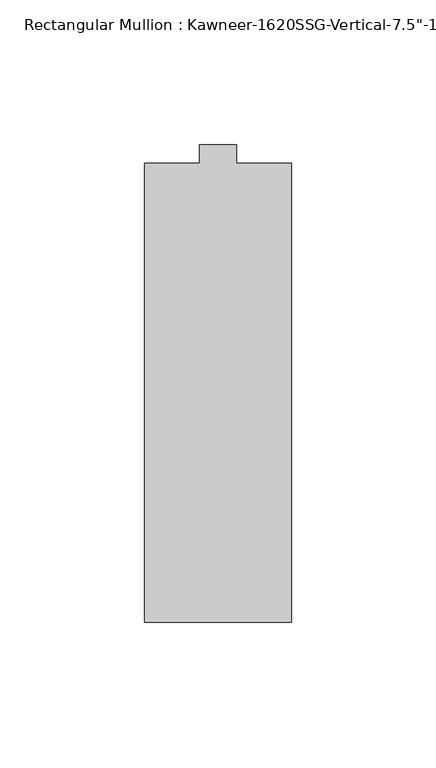
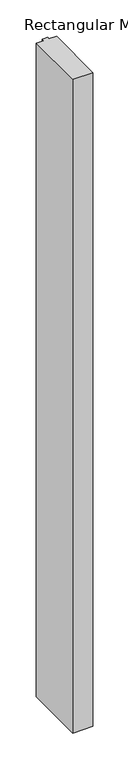
"""IFC4 building model written with IfcOpenShell, lengths in millimetres: member geometry."""

from ifc_helpers import new_model, si_unit, frame, origin, place, context, project, spatial, polyline, outline, extrude, source, transform, mapped, element, save


def member_4fc6ad97(model_context):
    return source(origin(), model_context, "Body", "SweptSolid", [
        extrude(outline(polyline([(25.4, -161.925), (-25.4, -161.925), (-25.4, -3.175), (-6.35, -3.175), (-6.35, 3.175), (6.35, 3.175), (6.35, -3.175), (25.4, -3.175), (25.4, -161.925)])), frame((0.0, 0.0, -1739.9), z_axis=(0.0, 0.0, 1.0), x_axis=(1.0, 0.0, 0.0)), (0.0, 0.0, 1.0), 1739.9),
    ])


if __name__ == "__main__":
    model = new_model("IFC4")
    model_context = context("Model", 3, world=origin())
    ifc_project = project(units=[si_unit("LENGTHUNIT", "METRE", prefix="MILLI")], contexts=[model_context])
    site = spatial("IfcSite", under=ifc_project)
    building = spatial("IfcBuilding", under=site)
    placement = place(None, origin())
    member_shape = member_4fc6ad97(model_context)
    element("IfcMember", 1, ObjectType="Rectangular Mullion : Kawneer-1620SSG-Vertical-7.5\"-1/4\"Infill-Standard", at=placement, inside=building, context=model_context, shape_type="MappedRepresentation", body=[
        mapped(member_shape, transform((0.0, 0.0, 0.0), x_axis=(1.0, 0.0, 0.0), y_axis=(0.0, 1.0, 0.0), z_axis=(0.0, 0.0, 1.0))),
    ])
    save(model, "model.ifc")
